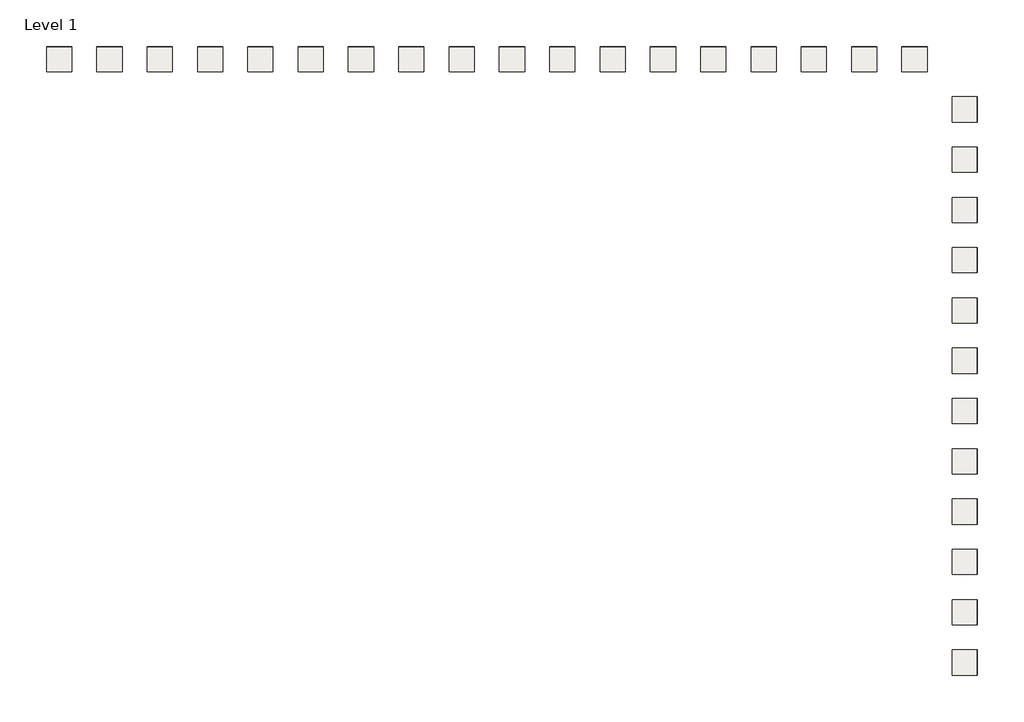
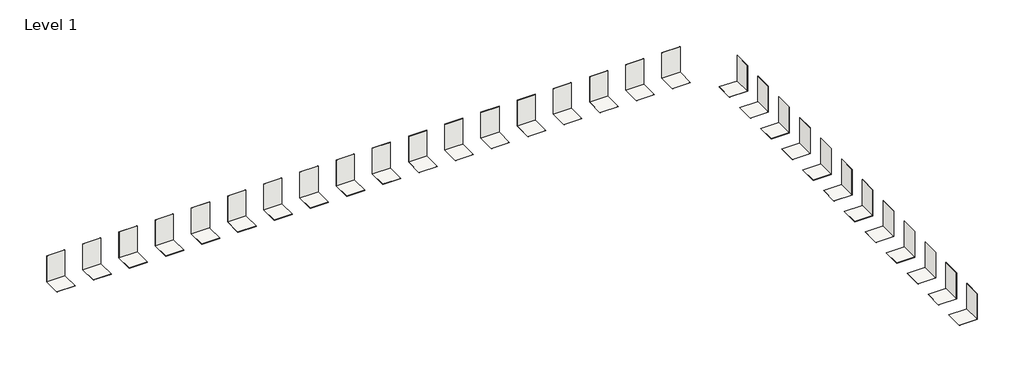
# One storey: 60 coverings.
"""IFC4 building model written with IfcOpenShell, lengths in millimetres."""

from ifc_helpers import new_model, si_unit, frame, origin, origin_with_axes, place, context, project, spatial, polyline, outline, extrude, element, save

model = new_model("IFC4")

# Units and contexts
model_context = context("Model", 3, world=origin())
ifc_project = project(units=[si_unit("LENGTHUNIT", "METRE", prefix="MILLI")], contexts=[model_context])

# Site, building, storey
site = spatial("IfcSite", under=ifc_project)
building = spatial("IfcBuilding", under=site)
storey = spatial("IfcBuildingStorey", under=building, Name="Level 1", Elevation=0.0)

# Coverings
placement = place(None, origin())
element("IfcCovering", 1, at=placement, inside=storey, context=model_context, shape_type="SweptSolid", body=[
    extrude(outline(polyline([(3527.0774266, -4501.9826748), (1527.0774266, -4501.9826748), (1527.0774266, -2501.9826748), (3527.0774266, -2501.9826748), (3527.0774266, -4501.9826748)])), frame((0.0, 0.0, -12.0), z_axis=(0.0, 0.0, 1.0), x_axis=(1.0, 0.0, 0.0)), (0.0, 0.0, 1.0), 12.0),
])
element("IfcCovering", 2, at=placement, inside=storey, context=model_context, shape_type="SweptSolid", body=[
    extrude(outline(polyline([(3515.0774266, -4501.9826748), (3515.0774266, -2501.9826748), (3527.0774266, -2501.9826748), (3527.0774266, -4501.9826748), (3515.0774266, -4501.9826748)])), origin_with_axes(), (0.0, 0.0, 1.0), 3000.0),
])
element("IfcCovering", 3, at=placement, inside=storey, context=model_context, shape_type="SweptSolid", body=[
    extrude(outline(polyline([(3527.0774266, -8501.9826748), (1527.0774266, -8501.9826748), (1527.0774266, -6501.9826748), (3527.0774266, -6501.9826748), (3527.0774266, -8501.9826748)])), frame((0.0, 0.0, -12.0), z_axis=(0.0, 0.0, 1.0), x_axis=(1.0, 0.0, 0.0)), (0.0, 0.0, 1.0), 12.0),
])
element("IfcCovering", 4, at=placement, inside=storey, context=model_context, shape_type="SweptSolid", body=[
    extrude(outline(polyline([(3515.0774266, -8501.9826748), (3515.0774266, -6501.9826748), (3527.0774266, -6501.9826748), (3527.0774266, -8501.9826748), (3515.0774266, -8501.9826748)])), origin_with_axes(), (0.0, 0.0, 1.0), 3000.0),
])
element("IfcCovering", 5, at=placement, inside=storey, context=model_context, shape_type="SweptSolid", body=[
    extrude(outline(polyline([(3527.0774266, -12501.9826748), (1527.0774266, -12501.9826748), (1527.0774266, -10501.9826748), (3527.0774266, -10501.9826748), (3527.0774266, -12501.9826748)])), frame((0.0, 0.0, -12.0), z_axis=(0.0, 0.0, 1.0), x_axis=(1.0, 0.0, 0.0)), (0.0, 0.0, 1.0), 12.0),
])
element("IfcCovering", 6, at=placement, inside=storey, context=model_context, shape_type="SweptSolid", body=[
    extrude(outline(polyline([(3515.0774266, -12501.9826748), (3515.0774266, -10501.9826748), (3527.0774266, -10501.9826748), (3527.0774266, -12501.9826748), (3515.0774266, -12501.9826748)])), origin_with_axes(), (0.0, 0.0, 1.0), 3000.0),
])
element("IfcCovering", 7, at=placement, inside=storey, context=model_context, shape_type="SweptSolid", body=[
    extrude(outline(polyline([(3527.0774266, -16501.9826748), (1527.0774266, -16501.9826748), (1527.0774266, -14501.9826748), (3527.0774266, -14501.9826748), (3527.0774266, -16501.9826748)])), frame((0.0, 0.0, -12.0), z_axis=(0.0, 0.0, 1.0), x_axis=(1.0, 0.0, 0.0)), (0.0, 0.0, 1.0), 12.0),
])
element("IfcCovering", 8, at=placement, inside=storey, context=model_context, shape_type="SweptSolid", body=[
    extrude(outline(polyline([(3515.0774266, -16501.9826748), (3515.0774266, -14501.9826748), (3527.0774266, -14501.9826748), (3527.0774266, -16501.9826748), (3515.0774266, -16501.9826748)])), origin_with_axes(), (0.0, 0.0, 1.0), 3000.0),
])
element("IfcCovering", 9, at=placement, inside=storey, context=model_context, shape_type="SweptSolid", body=[
    extrude(outline(polyline([(3527.0774266, -20501.9826748), (1527.0774266, -20501.9826748), (1527.0774266, -18501.9826748), (3527.0774266, -18501.9826748), (3527.0774266, -20501.9826748)])), frame((0.0, 0.0, -12.0), z_axis=(0.0, 0.0, 1.0), x_axis=(1.0, 0.0, 0.0)), (0.0, 0.0, 1.0), 12.0),
])
element("IfcCovering", 10, at=placement, inside=storey, context=model_context, shape_type="SweptSolid", body=[
    extrude(outline(polyline([(3515.0774266, -20501.9826748), (3515.0774266, -18501.9826748), (3527.0774266, -18501.9826748), (3527.0774266, -20501.9826748), (3515.0774266, -20501.9826748)])), origin_with_axes(), (0.0, 0.0, 1.0), 3000.0),
])
element("IfcCovering", 11, at=placement, inside=storey, context=model_context, shape_type="SweptSolid", body=[
    extrude(outline(polyline([(3527.0774266, -28501.9826748), (1527.0774266, -28501.9826748), (1527.0774266, -26501.9826748), (3527.0774266, -26501.9826748), (3527.0774266, -28501.9826748)])), frame((0.0, 0.0, -12.0), z_axis=(0.0, 0.0, 1.0), x_axis=(1.0, 0.0, 0.0)), (0.0, 0.0, 1.0), 12.0),
])
element("IfcCovering", 12, at=placement, inside=storey, context=model_context, shape_type="SweptSolid", body=[
    extrude(outline(polyline([(3515.0774266, -28501.9826748), (3515.0774266, -26501.9826748), (3527.0774266, -26501.9826748), (3527.0774266, -28501.9826748), (3515.0774266, -28501.9826748)])), origin_with_axes(), (0.0, 0.0, 1.0), 3000.0),
])
element("IfcCovering", 13, at=placement, inside=storey, context=model_context, shape_type="SweptSolid", body=[
    extrude(outline(polyline([(3527.0774266, -32501.9826748), (1527.0774266, -32501.9826748), (1527.0774266, -30501.9826748), (3527.0774266, -30501.9826748), (3527.0774266, -32501.9826748)])), frame((0.0, 0.0, -12.0), z_axis=(0.0, 0.0, 1.0), x_axis=(1.0, 0.0, 0.0)), (0.0, 0.0, 1.0), 12.0),
])
element("IfcCovering", 14, at=placement, inside=storey, context=model_context, shape_type="SweptSolid", body=[
    extrude(outline(polyline([(3515.0774266, -32501.9826748), (3515.0774266, -30501.9826748), (3527.0774266, -30501.9826748), (3527.0774266, -32501.9826748), (3515.0774266, -32501.9826748)])), origin_with_axes(), (0.0, 0.0, 1.0), 3000.0),
])
element("IfcCovering", 15, at=placement, inside=storey, context=model_context, shape_type="SweptSolid", body=[
    extrude(outline(polyline([(3527.0774266, -36501.9826748), (1527.0774266, -36501.9826748), (1527.0774266, -34501.9826748), (3527.0774266, -34501.9826748), (3527.0774266, -36501.9826748)])), frame((0.0, 0.0, -12.0), z_axis=(0.0, 0.0, 1.0), x_axis=(1.0, 0.0, 0.0)), (0.0, 0.0, 1.0), 12.0),
])
element("IfcCovering", 16, at=placement, inside=storey, context=model_context, shape_type="SweptSolid", body=[
    extrude(outline(polyline([(3515.0774266, -36501.9826748), (3515.0774266, -34501.9826748), (3527.0774266, -34501.9826748), (3527.0774266, -36501.9826748), (3515.0774266, -36501.9826748)])), origin_with_axes(), (0.0, 0.0, 1.0), 3000.0),
])
element("IfcCovering", 17, at=placement, inside=storey, context=model_context, shape_type="SweptSolid", body=[
    extrude(outline(polyline([(3527.0774266, -40501.9826748), (1527.0774266, -40501.9826748), (1527.0774266, -38501.9826748), (3527.0774266, -38501.9826748), (3527.0774266, -40501.9826748)])), frame((0.0, 0.0, -12.0), z_axis=(0.0, 0.0, 1.0), x_axis=(1.0, 0.0, 0.0)), (0.0, 0.0, 1.0), 12.0),
])
element("IfcCovering", 18, at=placement, inside=storey, context=model_context, shape_type="SweptSolid", body=[
    extrude(outline(polyline([(3515.0774266, -40501.9826748), (3515.0774266, -38501.9826748), (3527.0774266, -38501.9826748), (3527.0774266, -40501.9826748), (3515.0774266, -40501.9826748)])), origin_with_axes(), (0.0, 0.0, 1.0), 3000.0),
])
element("IfcCovering", 19, at=placement, inside=storey, context=model_context, shape_type="SweptSolid", body=[
    extrude(outline(polyline([(3527.0774266, -44501.9826748), (1527.0774266, -44501.9826748), (1527.0774266, -42501.9826748), (3527.0774266, -42501.9826748), (3527.0774266, -44501.9826748)])), frame((0.0, 0.0, -12.0), z_axis=(0.0, 0.0, 1.0), x_axis=(1.0, 0.0, 0.0)), (0.0, 0.0, 1.0), 12.0),
])
element("IfcCovering", 20, at=placement, inside=storey, context=model_context, shape_type="SweptSolid", body=[
    extrude(outline(polyline([(3515.0774266, -44501.9826748), (3515.0774266, -42501.9826748), (3527.0774266, -42501.9826748), (3527.0774266, -44501.9826748), (3515.0774266, -44501.9826748)])), origin_with_axes(), (0.0, 0.0, 1.0), 3000.0),
])
element("IfcCovering", 21, at=placement, inside=storey, context=model_context, shape_type="SweptSolid", body=[
    extrude(outline(polyline([(-472.9225734, 1498.0173252), (-472.9225734, -501.9826748), (-2472.9225734, -501.9826748), (-2472.9225734, 1498.0173252), (-472.9225734, 1498.0173252)])), frame((0.0, 0.0, -12.0), z_axis=(0.0, 0.0, 1.0), x_axis=(1.0, 0.0, 0.0)), (0.0, 0.0, 1.0), 12.0),
])
element("IfcCovering", 22, at=placement, inside=storey, context=model_context, shape_type="SweptSolid", body=[
    extrude(outline(polyline([(-472.9225734, 1486.0173252), (-2472.9225734, 1486.0173252), (-2472.9225734, 1498.0173252), (-472.9225734, 1498.0173252), (-472.9225734, 1486.0173252)])), origin_with_axes(), (0.0, 0.0, 1.0), 3000.0),
])
element("IfcCovering", 23, at=placement, inside=storey, context=model_context, shape_type="SweptSolid", body=[
    extrude(outline(polyline([(-4472.9225734, 1498.0173252), (-4472.9225734, -501.9826748), (-6472.9225734, -501.9826748), (-6472.9225734, 1498.0173252), (-4472.9225734, 1498.0173252)])), frame((0.0, 0.0, -12.0), z_axis=(0.0, 0.0, 1.0), x_axis=(1.0, 0.0, 0.0)), (0.0, 0.0, 1.0), 12.0),
])
element("IfcCovering", 24, at=placement, inside=storey, context=model_context, shape_type="SweptSolid", body=[
    extrude(outline(polyline([(-4472.9225734, 1486.0173252), (-6472.9225734, 1486.0173252), (-6472.9225734, 1498.0173252), (-4472.9225734, 1498.0173252), (-4472.9225734, 1486.0173252)])), origin_with_axes(), (0.0, 0.0, 1.0), 3000.0),
])
element("IfcCovering", 25, at=placement, inside=storey, context=model_context, shape_type="SweptSolid", body=[
    extrude(outline(polyline([(-8472.9225734, 1498.0173252), (-8472.9225734, -501.9826748), (-10472.9225734, -501.9826748), (-10472.9225734, 1498.0173252), (-8472.9225734, 1498.0173252)])), frame((0.0, 0.0, -12.0), z_axis=(0.0, 0.0, 1.0), x_axis=(1.0, 0.0, 0.0)), (0.0, 0.0, 1.0), 12.0),
])
element("IfcCovering", 26, at=placement, inside=storey, context=model_context, shape_type="SweptSolid", body=[
    extrude(outline(polyline([(-8472.9225734, 1486.0173252), (-10472.9225734, 1486.0173252), (-10472.9225734, 1498.0173252), (-8472.9225734, 1498.0173252), (-8472.9225734, 1486.0173252)])), origin_with_axes(), (0.0, 0.0, 1.0), 3000.0),
])
element("IfcCovering", 27, at=placement, inside=storey, context=model_context, shape_type="SweptSolid", body=[
    extrude(outline(polyline([(-12472.9225734, 1498.0173252), (-12472.9225734, -501.9826748), (-14472.9225734, -501.9826748), (-14472.9225734, 1498.0173252), (-12472.9225734, 1498.0173252)])), frame((0.0, 0.0, -12.0), z_axis=(0.0, 0.0, 1.0), x_axis=(1.0, 0.0, 0.0)), (0.0, 0.0, 1.0), 12.0),
])
element("IfcCovering", 28, at=placement, inside=storey, context=model_context, shape_type="SweptSolid", body=[
    extrude(outline(polyline([(-12472.9225734, 1486.0173252), (-14472.9225734, 1486.0173252), (-14472.9225734, 1498.0173252), (-12472.9225734, 1498.0173252), (-12472.9225734, 1486.0173252)])), origin_with_axes(), (0.0, 0.0, 1.0), 3000.0),
])
element("IfcCovering", 29, at=placement, inside=storey, context=model_context, shape_type="SweptSolid", body=[
    extrude(outline(polyline([(-16472.9225734, 1498.0173252), (-16472.9225734, -501.9826748), (-18472.9225734, -501.9826748), (-18472.9225734, 1498.0173252), (-16472.9225734, 1498.0173252)])), frame((0.0, 0.0, -12.0), z_axis=(0.0, 0.0, 1.0), x_axis=(1.0, 0.0, 0.0)), (0.0, 0.0, 1.0), 12.0),
])
element("IfcCovering", 30, at=placement, inside=storey, context=model_context, shape_type="SweptSolid", body=[
    extrude(outline(polyline([(-16472.9225734, 1486.0173252), (-18472.9225734, 1486.0173252), (-18472.9225734, 1498.0173252), (-16472.9225734, 1498.0173252), (-16472.9225734, 1486.0173252)])), origin_with_axes(), (0.0, 0.0, 1.0), 3000.0),
])
element("IfcCovering", 31, at=placement, inside=storey, context=model_context, shape_type="SweptSolid", body=[
    extrude(outline(polyline([(-24472.9225734, 1498.0173252), (-24472.9225734, -501.9826748), (-26472.9225734, -501.9826748), (-26472.9225734, 1498.0173252), (-24472.9225734, 1498.0173252)])), frame((0.0, 0.0, -12.0), z_axis=(0.0, 0.0, 1.0), x_axis=(1.0, 0.0, 0.0)), (0.0, 0.0, 1.0), 12.0),
])
element("IfcCovering", 32, at=placement, inside=storey, context=model_context, shape_type="SweptSolid", body=[
    extrude(outline(polyline([(-24472.9225734, 1486.0173252), (-26472.9225734, 1486.0173252), (-26472.9225734, 1498.0173252), (-24472.9225734, 1498.0173252), (-24472.9225734, 1486.0173252)])), origin_with_axes(), (0.0, 0.0, 1.0), 3000.0),
])
element("IfcCovering", 33, at=placement, inside=storey, context=model_context, shape_type="SweptSolid", body=[
    extrude(outline(polyline([(-28472.9225734, 1498.0173252), (-28472.9225734, -501.9826748), (-30472.9225734, -501.9826748), (-30472.9225734, 1498.0173252), (-28472.9225734, 1498.0173252)])), frame((0.0, 0.0, -12.0), z_axis=(0.0, 0.0, 1.0), x_axis=(1.0, 0.0, 0.0)), (0.0, 0.0, 1.0), 12.0),
])
element("IfcCovering", 34, at=placement, inside=storey, context=model_context, shape_type="SweptSolid", body=[
    extrude(outline(polyline([(-28472.9225734, 1486.0173252), (-30472.9225734, 1486.0173252), (-30472.9225734, 1498.0173252), (-28472.9225734, 1498.0173252), (-28472.9225734, 1486.0173252)])), origin_with_axes(), (0.0, 0.0, 1.0), 3000.0),
])
element("IfcCovering", 35, at=placement, inside=storey, context=model_context, shape_type="SweptSolid", body=[
    extrude(outline(polyline([(-32472.9225734, 1498.0173252), (-32472.9225734, -501.9826748), (-34472.9225734, -501.9826748), (-34472.9225734, 1498.0173252), (-32472.9225734, 1498.0173252)])), frame((0.0, 0.0, -12.0), z_axis=(0.0, 0.0, 1.0), x_axis=(1.0, 0.0, 0.0)), (0.0, 0.0, 1.0), 12.0),
])
element("IfcCovering", 36, at=placement, inside=storey, context=model_context, shape_type="SweptSolid", body=[
    extrude(outline(polyline([(-32472.9225734, 1486.0173252), (-34472.9225734, 1486.0173252), (-34472.9225734, 1498.0173252), (-32472.9225734, 1498.0173252), (-32472.9225734, 1486.0173252)])), origin_with_axes(), (0.0, 0.0, 1.0), 3000.0),
])
element("IfcCovering", 37, at=placement, inside=storey, context=model_context, shape_type="SweptSolid", body=[
    extrude(outline(polyline([(-36472.9225734, 1498.0173252), (-36472.9225734, -501.9826748), (-38472.9225734, -501.9826748), (-38472.9225734, 1498.0173252), (-36472.9225734, 1498.0173252)])), frame((0.0, 0.0, -12.0), z_axis=(0.0, 0.0, 1.0), x_axis=(1.0, 0.0, 0.0)), (0.0, 0.0, 1.0), 12.0),
])
element("IfcCovering", 38, at=placement, inside=storey, context=model_context, shape_type="SweptSolid", body=[
    extrude(outline(polyline([(-36472.9225734, 1486.0173252), (-38472.9225734, 1486.0173252), (-38472.9225734, 1498.0173252), (-36472.9225734, 1498.0173252), (-36472.9225734, 1486.0173252)])), origin_with_axes(), (0.0, 0.0, 1.0), 3000.0),
])
element("IfcCovering", 39, at=placement, inside=storey, context=model_context, shape_type="SweptSolid", body=[
    extrude(outline(polyline([(-40472.9225734, 1498.0173252), (-40472.9225734, -501.9826748), (-42472.9225734, -501.9826748), (-42472.9225734, 1498.0173252), (-40472.9225734, 1498.0173252)])), frame((0.0, 0.0, -12.0), z_axis=(0.0, 0.0, 1.0), x_axis=(1.0, 0.0, 0.0)), (0.0, 0.0, 1.0), 12.0),
])
element("IfcCovering", 40, at=placement, inside=storey, context=model_context, shape_type="SweptSolid", body=[
    extrude(outline(polyline([(-40472.9225734, 1486.0173252), (-42472.9225734, 1486.0173252), (-42472.9225734, 1498.0173252), (-40472.9225734, 1498.0173252), (-40472.9225734, 1486.0173252)])), origin_with_axes(), (0.0, 0.0, 1.0), 3000.0),
])
element("IfcCovering", 41, at=placement, inside=storey, context=model_context, shape_type="SweptSolid", body=[
    extrude(outline(polyline([(-48472.9225734, 1498.0173252), (-48472.9225734, -501.9826748), (-50472.9225734, -501.9826748), (-50472.9225734, 1498.0173252), (-48472.9225734, 1498.0173252)])), frame((0.0, 0.0, -12.0), z_axis=(0.0, 0.0, 1.0), x_axis=(1.0, 0.0, 0.0)), (0.0, 0.0, 1.0), 12.0),
])
element("IfcCovering", 42, at=placement, inside=storey, context=model_context, shape_type="SweptSolid", body=[
    extrude(outline(polyline([(-48472.9225734, 1486.0173252), (-50472.9225734, 1486.0173252), (-50472.9225734, 1498.0173252), (-48472.9225734, 1498.0173252), (-48472.9225734, 1486.0173252)])), origin_with_axes(), (0.0, 0.0, 1.0), 3000.0),
])
element("IfcCovering", 43, at=placement, inside=storey, context=model_context, shape_type="SweptSolid", body=[
    extrude(outline(polyline([(-52472.9225734, 1498.0173252), (-52472.9225734, -501.9826748), (-54472.9225734, -501.9826748), (-54472.9225734, 1498.0173252), (-52472.9225734, 1498.0173252)])), frame((0.0, 0.0, -12.0), z_axis=(0.0, 0.0, 1.0), x_axis=(1.0, 0.0, 0.0)), (0.0, 0.0, 1.0), 12.0),
])
element("IfcCovering", 44, at=placement, inside=storey, context=model_context, shape_type="SweptSolid", body=[
    extrude(outline(polyline([(-52472.9225734, 1486.0173252), (-54472.9225734, 1486.0173252), (-54472.9225734, 1498.0173252), (-52472.9225734, 1498.0173252), (-52472.9225734, 1486.0173252)])), origin_with_axes(), (0.0, 0.0, 1.0), 3000.0),
])
element("IfcCovering", 45, at=placement, inside=storey, context=model_context, shape_type="SweptSolid", body=[
    extrude(outline(polyline([(-56472.9225734, 1498.0173252), (-56472.9225734, -501.9826748), (-58472.9225734, -501.9826748), (-58472.9225734, 1498.0173252), (-56472.9225734, 1498.0173252)])), frame((0.0, 0.0, -12.0), z_axis=(0.0, 0.0, 1.0), x_axis=(1.0, 0.0, 0.0)), (0.0, 0.0, 1.0), 12.0),
])
element("IfcCovering", 46, at=placement, inside=storey, context=model_context, shape_type="SweptSolid", body=[
    extrude(outline(polyline([(-56472.9225734, 1486.0173252), (-58472.9225734, 1486.0173252), (-58472.9225734, 1498.0173252), (-56472.9225734, 1498.0173252), (-56472.9225734, 1486.0173252)])), origin_with_axes(), (0.0, 0.0, 1.0), 3000.0),
])
element("IfcCovering", 47, at=placement, inside=storey, context=model_context, shape_type="SweptSolid", body=[
    extrude(outline(polyline([(-60472.9225734, 1498.0173252), (-60472.9225734, -501.9826748), (-62472.9225734, -501.9826748), (-62472.9225734, 1498.0173252), (-60472.9225734, 1498.0173252)])), frame((0.0, 0.0, -12.0), z_axis=(0.0, 0.0, 1.0), x_axis=(1.0, 0.0, 0.0)), (0.0, 0.0, 1.0), 12.0),
])
element("IfcCovering", 48, at=placement, inside=storey, context=model_context, shape_type="SweptSolid", body=[
    extrude(outline(polyline([(-60472.9225734, 1486.0173252), (-62472.9225734, 1486.0173252), (-62472.9225734, 1498.0173252), (-60472.9225734, 1498.0173252), (-60472.9225734, 1486.0173252)])), origin_with_axes(), (0.0, 0.0, 1.0), 3000.0),
])
element("IfcCovering", 49, at=placement, inside=storey, context=model_context, shape_type="SweptSolid", body=[
    extrude(outline(polyline([(-64472.9225734, 1498.0173252), (-64472.9225734, -501.9826748), (-66472.9225734, -501.9826748), (-66472.9225734, 1498.0173252), (-64472.9225734, 1498.0173252)])), frame((0.0, 0.0, -12.0), z_axis=(0.0, 0.0, 1.0), x_axis=(1.0, 0.0, 0.0)), (0.0, 0.0, 1.0), 12.0),
])
element("IfcCovering", 50, at=placement, inside=storey, context=model_context, shape_type="SweptSolid", body=[
    extrude(outline(polyline([(-64472.9225734, 1486.0173252), (-66472.9225734, 1486.0173252), (-66472.9225734, 1498.0173252), (-64472.9225734, 1498.0173252), (-64472.9225734, 1486.0173252)])), origin_with_axes(), (0.0, 0.0, 1.0), 3000.0),
])
element("IfcCovering", 51, at=placement, inside=storey, context=model_context, shape_type="SweptSolid", body=[
    extrude(outline(polyline([(-20472.9225734, 1498.0173252), (-20472.9225734, -501.9826748), (-22472.9225734, -501.9826748), (-22472.9225734, 1498.0173252), (-20472.9225734, 1498.0173252)])), frame((0.0, 0.0, -12.0), z_axis=(0.0, 0.0, 1.0), x_axis=(1.0, 0.0, 0.0)), (0.0, 0.0, 1.0), 12.0),
])
element("IfcCovering", 52, at=placement, inside=storey, context=model_context, shape_type="SweptSolid", body=[
    extrude(outline(polyline([(-20472.9225734, 1486.0173252), (-22472.9225734, 1486.0173252), (-22472.9225734, 1498.0173252), (-20472.9225734, 1498.0173252), (-20472.9225734, 1486.0173252)])), origin_with_axes(), (0.0, 0.0, 1.0), 3000.0),
])
element("IfcCovering", 53, at=placement, inside=storey, context=model_context, shape_type="SweptSolid", body=[
    extrude(outline(polyline([(-44472.9225734, 1498.0173252), (-44472.9225734, -501.9826748), (-46472.9225734, -501.9826748), (-46472.9225734, 1498.0173252), (-44472.9225734, 1498.0173252)])), frame((0.0, 0.0, -12.0), z_axis=(0.0, 0.0, 1.0), x_axis=(1.0, 0.0, 0.0)), (0.0, 0.0, 1.0), 12.0),
])
element("IfcCovering", 54, at=placement, inside=storey, context=model_context, shape_type="SweptSolid", body=[
    extrude(outline(polyline([(-44472.9225734, 1486.0173252), (-46472.9225734, 1486.0173252), (-46472.9225734, 1498.0173252), (-44472.9225734, 1498.0173252), (-44472.9225734, 1486.0173252)])), origin_with_axes(), (0.0, 0.0, 1.0), 3000.0),
])
element("IfcCovering", 55, at=placement, inside=storey, context=model_context, shape_type="SweptSolid", body=[
    extrude(outline(polyline([(-68472.9225734, 1498.0173252), (-68472.9225734, -501.9826748), (-70472.9225734, -501.9826748), (-70472.9225734, 1498.0173252), (-68472.9225734, 1498.0173252)])), frame((0.0, 0.0, -12.0), z_axis=(0.0, 0.0, 1.0), x_axis=(1.0, 0.0, 0.0)), (0.0, 0.0, 1.0), 12.0),
])
element("IfcCovering", 56, at=placement, inside=storey, context=model_context, shape_type="SweptSolid", body=[
    extrude(outline(polyline([(-68472.9225734, 1486.0173252), (-70472.9225734, 1486.0173252), (-70472.9225734, 1498.0173252), (-68472.9225734, 1498.0173252), (-68472.9225734, 1486.0173252)])), origin_with_axes(), (0.0, 0.0, 1.0), 3000.0),
])
element("IfcCovering", 57, at=placement, inside=storey, context=model_context, shape_type="SweptSolid", body=[
    extrude(outline(polyline([(3527.0774266, -24501.9826748), (1527.0774266, -24501.9826748), (1527.0774266, -22501.9826748), (3527.0774266, -22501.9826748), (3527.0774266, -24501.9826748)])), frame((0.0, 0.0, -12.0), z_axis=(0.0, 0.0, 1.0), x_axis=(1.0, 0.0, 0.0)), (0.0, 0.0, 1.0), 12.0),
])
element("IfcCovering", 58, at=placement, inside=storey, context=model_context, shape_type="SweptSolid", body=[
    extrude(outline(polyline([(3515.0774266, -24501.9826748), (3515.0774266, -22501.9826748), (3527.0774266, -22501.9826748), (3527.0774266, -24501.9826748), (3515.0774266, -24501.9826748)])), origin_with_axes(), (0.0, 0.0, 1.0), 3000.0),
])
element("IfcCovering", 59, at=placement, inside=storey, context=model_context, shape_type="SweptSolid", body=[
    extrude(outline(polyline([(3527.0774266, -48501.9826748), (1527.0774266, -48501.9826748), (1527.0774266, -46501.9826748), (3527.0774266, -46501.9826748), (3527.0774266, -48501.9826748)])), frame((0.0, 0.0, -12.0), z_axis=(0.0, 0.0, 1.0), x_axis=(1.0, 0.0, 0.0)), (0.0, 0.0, 1.0), 12.0),
])
element("IfcCovering", 60, at=placement, inside=storey, context=model_context, shape_type="SweptSolid", body=[
    extrude(outline(polyline([(3515.0774266, -48501.9826748), (3515.0774266, -46501.9826748), (3527.0774266, -46501.9826748), (3527.0774266, -48501.9826748), (3515.0774266, -48501.9826748)])), origin_with_axes(), (0.0, 0.0, 1.0), 3000.0),
])

save(model, "model.ifc")
